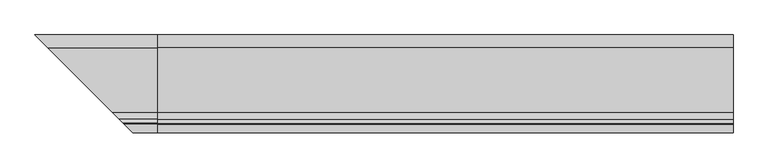
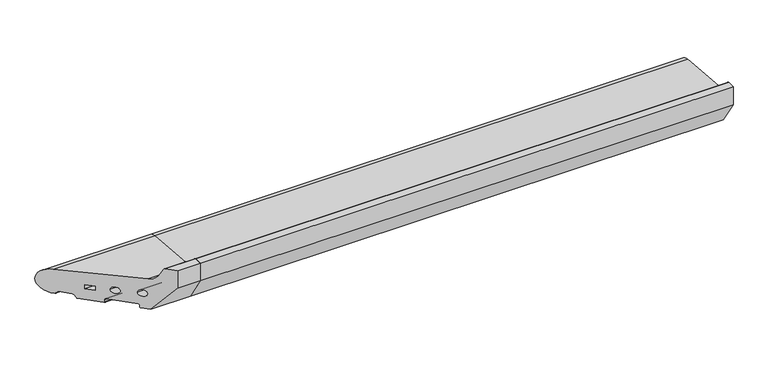
"""IFC4 building model written with IfcOpenShell, lengths in millimetres: proxy geometry."""

from ifc_helpers import new_model, si_unit, point, frame, frame_2d, origin, place, context, project, spatial, polyline, circle_curve, ellipse_curve, trimmed, segment, composite_curve, outline, extrude, source, transform, mapped, element, save
from ifc_brep_helpers import plane_surface, cylinder_surface, revolved_surface, advanced_brep


def generic_models_904960a5(model_context):
    return source(origin(), model_context, "Body", "SolidModel", [
        advanced_brep(
        [(0.0, 28.0858073, 50.4091909), (0.0, -85.0967541, 60.2830933), (0.0, -96.6696696, 68.5358083), (0.0, -103.4717243, 83.8134733), (0.0, -105.2988152, 85.0), (0.0, -120.0, 85.0), (0.0, -120.0, 50.0), (0.0, -88.0, 0.0), (0.0, -76.0, 0.0), (0.0, -75.0, 1.0), (0.0, -75.0, 5.5), (0.0, -73.0, 7.5), (0.0, -35.0, 7.5), (0.0, -33.0, 5.5), (0.0, -33.0, 1.0), (0.0, -32.0, 0.0), (0.0, -0.5773503, 0.0), (0.0, 0.2886751, 0.5), (0.0, 3.7527767, 6.5), (0.0, 5.4848276, 7.5), (0.0, 21.9585481, 7.5), (0.0, 23.6905989, 6.5), (0.0, 25.7072001, 3.0071443), (0.0, 26.5981483, 2.5074549), (0.0, -9.5, 28.9289), (0.0, -9.5, 20.9289), (0.0, -21.5, 20.9289), (0.0, -21.5, 28.9289), (0.0, -51.5, 27.333), (0.0, -39.5, 27.333), (0.0, -84.0, 30.0), (0.0, -72.0, 30.0), (-188.5981483, 26.5981483, 2.5074549), (-212.0, 50.0, 26.5), (-190.0858073, 28.0858073, 50.4091909), (-187.7072001, 25.7072001, 3.0071443), (-185.6905989, 23.6905989, 6.5), (-183.9585481, 21.9585481, 7.5), (-167.4848276, 5.4848276, 7.5), (-165.7527767, 3.7527767, 6.5), (-162.2886751, 0.2886751, 0.5), (-161.4226497, -0.5773503, 0.0), (-130.0, -32.0, 0.0), (-129.0, -33.0, 1.0), (-129.0, -33.0, 5.5), (-127.0, -35.0, 7.5), (-89.0, -73.0, 7.5), (-87.0, -75.0, 5.5), (-87.0, -75.0, 1.0), (-86.0, -76.0, 0.0), (-74.0, -88.0, 0.0), (-42.0, -120.0, 50.0), (-56.7011848, -105.2988152, 85.0), (-42.0, -120.0, 85.0), (-58.5282757, -103.4717243, 83.8134733), (-65.3303304, -96.6696696, 68.5358083), (-76.9032459, -85.0967541, 60.2830933), (-140.5, -21.5, 28.9289), (-152.5, -9.5, 28.9289), (-140.5, -21.5, 20.9289), (-152.5, -9.5, 20.9289), (-122.5, -39.5, 27.333), (-110.5, -51.5, 27.333), (-90.0, -72.0, 30.0), (-78.0, -84.0, 30.0)],
        [
            (0, 1),
            (1, 2, circle_curve(frame((0.0, -83.8800332, 74.2301213), z_axis=(-1.0, 0.0, 0.0), x_axis=(0.0, 1.0, 0.0)), 14.0)),
            (2, 3),
            (3, 4, circle_curve(frame((0.0, -105.2988152, 83.0), z_axis=(1.0, 0.0, 0.0), x_axis=(0.0, 1.0, 0.0)), 2.0)),
            (4, 5),
            (5, 6),
            (6, 7),
            (7, 8),
            (8, 9, circle_curve(frame((0.0, -76.0, 1.0), z_axis=(1.0, 0.0, 0.0), x_axis=(0.0, 1.0, 0.0)), 1.0)),
            (9, 10),
            (10, 11, circle_curve(frame((0.0, -73.0, 5.5), z_axis=(-1.0, 0.0, 0.0), x_axis=(0.0, 1.0, 0.0)), 2.0)),
            (11, 12),
            (12, 13, circle_curve(frame((0.0, -35.0, 5.5), z_axis=(-1.0, 0.0, 0.0), x_axis=(0.0, 1.0, 0.0)), 2.0)),
            (13, 14),
            (14, 15, circle_curve(frame((0.0, -32.0, 1.0), z_axis=(1.0, 0.0, 0.0), x_axis=(0.0, 1.0, 0.0)), 1.0)),
            (15, 16),
            (16, 17, circle_curve(frame((0.0, -0.5773503, 1.0), z_axis=(1.0, 0.0, 0.0), x_axis=(0.0, 1.0, 0.0)), 1.0)),
            (17, 18),
            (18, 19, circle_curve(frame((0.0, 5.4848276, 5.5), z_axis=(-1.0, 0.0, 0.0), x_axis=(0.0, 1.0, 0.0)), 2.0)),
            (19, 20),
            (20, 21, circle_curve(frame((0.0, 21.9585481, 5.5), z_axis=(-1.0, 0.0, 0.0), x_axis=(0.0, 1.0, 0.0)), 2.0)),
            (21, 22),
            (22, 23, circle_curve(frame((0.0, 26.5732255, 3.5071443), z_axis=(1.0, 0.0, 0.0), x_axis=(0.0, 1.0, 0.0)), 1.0)),
            (23, 0, circle_curve(frame((0.0, 26.0, 26.5), z_axis=(1.0, 0.0, 0.0), x_axis=(0.0, 1.0, 0.0)), 24.0)),
            (24, 25),
            (25, 26),
            (26, 27),
            (27, 24),
            (28, 29, circle_curve(frame((0.0, -45.5, 27.333), z_axis=(-1.0, 0.0, 0.0), x_axis=(0.0, 1.0, 0.0)), 6.0)),
            (29, 28, circle_curve(frame((0.0, -45.5, 27.333), z_axis=(-1.0, 0.0, 0.0), x_axis=(0.0, 1.0, 0.0)), 6.0)),
            (30, 31, circle_curve(frame((0.0, -78.0, 30.0), z_axis=(-1.0, 0.0, 0.0), x_axis=(0.0, 1.0, 0.0)), 6.0)),
            (31, 30, circle_curve(frame((0.0, -78.0, 30.0), z_axis=(-1.0, 0.0, 0.0), x_axis=(0.0, 1.0, 0.0)), 6.0)),
            (23, 32),
            (32, 33, ellipse_curve(frame((-188.0, 26.0, 26.5), z_axis=(0.7071067811865481, 0.707106781186547, 0.0), x_axis=(-0.7071067811865468, 0.7071067811865481, 0.0)), 33.9411255, 24.0)),
            (33, 34, ellipse_curve(frame((-188.0, 26.0, 26.5), z_axis=(0.7071067811865481, 0.707106781186547, 0.0), x_axis=(-0.7071067811865468, 0.7071067811865481, 0.0)), 33.9411255, 24.0)),
            (34, 0),
            (22, 35),
            (35, 32, ellipse_curve(frame((-188.5732255, 26.5732255, 3.5071443), z_axis=(0.7071067811865481, 0.707106781186547, 0.0), x_axis=(-0.7071067811865468, 0.7071067811865481, 0.0)), 1.4142136, 1.0)),
            (21, 36),
            (36, 35),
            (20, 37),
            (37, 36, ellipse_curve(frame((-183.9585481, 21.9585481, 5.5), z_axis=(-0.7071067811865481, -0.707106781186547, 0.0), x_axis=(0.7071067811865468, -0.7071067811865481, 0.0)), 2.8284271, 2.0)),
            (19, 38),
            (38, 37),
            (18, 39),
            (39, 38, ellipse_curve(frame((-167.4848276, 5.4848276, 5.5), z_axis=(-0.7071067811865481, -0.707106781186547, 0.0), x_axis=(0.7071067811865468, -0.7071067811865481, 0.0)), 2.8284271, 2.0)),
            (17, 40),
            (40, 39),
            (16, 41),
            (41, 40, ellipse_curve(frame((-161.4226497, -0.5773503, 1.0), z_axis=(0.7071067811865481, 0.707106781186547, 0.0), x_axis=(-0.7071067811865468, 0.7071067811865481, 0.0)), 1.4142136, 1.0)),
            (15, 42),
            (42, 41),
            (14, 43),
            (43, 42, ellipse_curve(frame((-130.0, -32.0, 1.0), z_axis=(0.7071067811865481, 0.707106781186547, 0.0), x_axis=(-0.7071067811865468, 0.7071067811865481, 0.0)), 1.4142136, 1.0)),
            (13, 44),
            (44, 43),
            (12, 45),
            (45, 44, ellipse_curve(frame((-127.0, -35.0, 5.5), z_axis=(-0.7071067811865481, -0.707106781186547, 0.0), x_axis=(0.7071067811865468, -0.7071067811865481, 0.0)), 2.8284271, 2.0)),
            (11, 46),
            (46, 45),
            (10, 47),
            (47, 46, ellipse_curve(frame((-89.0, -73.0, 5.5), z_axis=(-0.7071067811865481, -0.707106781186547, 0.0), x_axis=(0.7071067811865468, -0.7071067811865481, 0.0)), 2.8284271, 2.0)),
            (9, 48),
            (48, 47),
            (8, 49),
            (49, 48, ellipse_curve(frame((-86.0, -76.0, 1.0), z_axis=(0.7071067811865481, 0.707106781186547, 0.0), x_axis=(-0.7071067811865468, 0.7071067811865481, 0.0)), 1.4142136, 1.0)),
            (7, 50),
            (50, 49),
            (6, 51),
            (51, 50),
            (4, 52),
            (52, 53),
            (53, 5),
            (3, 54),
            (54, 52, ellipse_curve(frame((-56.7011848, -105.2988152, 83.0), z_axis=(0.7071067811865481, 0.707106781186547, 0.0), x_axis=(-0.7071067811865468, 0.7071067811865481, 0.0)), 2.8284271, 2.0)),
            (2, 55),
            (55, 54),
            (1, 56),
            (56, 55, ellipse_curve(frame((-78.1199668, -83.8800332, 74.2301213), z_axis=(-0.7071067811865481, -0.707106781186547, 0.0), x_axis=(0.7071067811865468, -0.7071067811865481, 0.0)), 19.7989899, 14.0)),
            (34, 56),
            (27, 57),
            (57, 58),
            (58, 24),
            (26, 59),
            (59, 57),
            (25, 60),
            (60, 59),
            (58, 60),
            (29, 61),
            (61, 62, ellipse_curve(frame((-116.5, -45.5, 27.333), z_axis=(-0.7071067811865481, -0.707106781186547, 0.0), x_axis=(0.7071067811865468, -0.7071067811865481, 0.0)), 8.4852814, 6.0)),
            (62, 28),
            (62, 61, ellipse_curve(frame((-116.5, -45.5, 27.333), z_axis=(-0.7071067811865481, -0.707106781186547, 0.0), x_axis=(0.7071067811865468, -0.7071067811865481, 0.0)), 8.4852814, 6.0)),
            (31, 63),
            (63, 64, ellipse_curve(frame((-84.0, -78.0, 30.0), z_axis=(-0.7071067811865481, -0.707106781186547, 0.0), x_axis=(0.7071067811865468, -0.7071067811865481, 0.0)), 8.4852814, 6.0)),
            (64, 30),
            (64, 63, ellipse_curve(frame((-84.0, -78.0, 30.0), z_axis=(-0.7071067811865481, -0.707106781186547, 0.0), x_axis=(0.7071067811865468, -0.7071067811865481, 0.0)), 8.4852814, 6.0)),
            (51, 53),
        ],
        [
            plane_surface(frame((0.0, 0.0, 0.0), z_axis=(1.0, 0.0, 0.0), x_axis=(0.0, 0.0, 1.0))),
            cylinder_surface(frame((-212.0, 26.0, 26.5), z_axis=(-1.0, 0.0, 0.0), x_axis=(0.0, 1.0, 0.0)), 24.0),
            cylinder_surface(frame((-212.0, 26.5732255, 3.5071443), z_axis=(-1.0, 0.0, 0.0), x_axis=(0.0, 1.0, 0.0)), 1.0),
            plane_surface(frame((-212.0, 25.7072001, 3.0071443), z_axis=(0.0, -0.8660254037844404, -0.4999999999999971), x_axis=(1.0, 0.0, 0.0))),
            revolved_surface(polyline([(0.0, 23.9585481, 5.5), (-185.9585480825018, 23.9585481, 5.5)]), (-212.0, 21.9585481, 5.5), (1.0, 0.0, 0.0)),
            plane_surface(frame((-212.0, 21.9585481, 7.5), z_axis=(0.0, 0.0, -1.0), x_axis=(1.0, 0.0, 0.0))),
            revolved_surface(polyline([(0.0, 7.4848276, 5.5), (-169.4848275825018, 7.4848276, 5.5)]), (-212.0, 5.4848276, 5.5), (1.0, 0.0, 0.0)),
            plane_surface(frame((-212.0, 3.7527767, 6.5), z_axis=(0.0, 0.8660254037844436, -0.4999999999999914), x_axis=(1.0, 0.0, 0.0))),
            cylinder_surface(frame((-212.0, -0.5773503, 1.0), z_axis=(-1.0, 0.0, 0.0), x_axis=(0.0, 1.0, 0.0)), 1.0),
            plane_surface(frame((-212.0, -0.5773503, 0.0), z_axis=(0.0, 0.0, -1.0), x_axis=(1.0, 0.0, 0.0))),
            cylinder_surface(frame((-212.0, -32.0, 1.0), z_axis=(-1.0, 0.0, 0.0), x_axis=(0.0, 1.0, 0.0)), 1.0),
            plane_surface(frame((-212.0, -33.0, 1.0), z_axis=(0.0, -1.0, 0.0), x_axis=(1.0, 0.0, 0.0))),
            revolved_surface(polyline([(0.0, -33.0, 5.5), (-129.0, -33.0, 5.5)]), (-212.0, -35.0, 5.5), (1.0, 0.0, 0.0)),
            plane_surface(frame((-212.0, -35.0, 7.5), z_axis=(0.0, 0.0, -1.0), x_axis=(1.0, 0.0, 0.0))),
            revolved_surface(polyline([(0.0, -71.0, 5.5), (-90.9999999825018, -71.0, 5.5)]), (-212.0, -73.0, 5.5), (1.0, 0.0, 0.0)),
            plane_surface(frame((-212.0, -75.0, 5.5), z_axis=(0.0, 1.0, 0.0), x_axis=(1.0, 0.0, 0.0))),
            cylinder_surface(frame((-212.0, -76.0, 1.0), z_axis=(-1.0, 0.0, 0.0), x_axis=(0.0, 1.0, 0.0)), 1.0),
            plane_surface(frame((-212.0, -76.0, 0.0), z_axis=(0.0, 0.0, -1.0), x_axis=(1.0, 0.0, 0.0))),
            plane_surface(frame((-212.0, -88.0, 0.0), z_axis=(0.0, -0.8422714006615114, -0.5390536964233673), x_axis=(1.0, 0.0, 0.0))),
            plane_surface(frame((-212.0, -120.0, 85.0), z_axis=(0.0, 0.0, 1.0), x_axis=(1.0, 0.0, 0.0))),
            cylinder_surface(frame((-212.0, -105.2988152, 83.0), z_axis=(-1.0, 0.0, 0.0), x_axis=(0.0, 1.0, 0.0)), 2.0),
            plane_surface(frame((-212.0, -103.4717243, 83.8134733), z_axis=(0.0, 0.9135454576426015, 0.406736643075799), x_axis=(1.0, 0.0, 0.0))),
            revolved_surface(polyline([(0.0, -69.8800332, 74.2301213), (-92.11996681893393, -69.8800332, 74.2301213)]), (-212.0, -83.8800332, 74.2301213), (1.0, 0.0, 0.0)),
            plane_surface(frame((-212.0, -85.0967541, 60.2830933), z_axis=(0.0, 0.08690863944627715, 0.9962162859487879), x_axis=(1.0, 0.0, 0.0))),
            plane_surface(frame((-212.0, -9.5, 28.9289), z_axis=(0.0, 0.0, -1.0), x_axis=(1.0, 0.0, 0.0))),
            plane_surface(frame((-212.0, -21.5, 28.9289), z_axis=(0.0, 1.0, 0.0), x_axis=(1.0, 0.0, 0.0))),
            plane_surface(frame((-212.0, -21.5, 20.9289), z_axis=(0.0, 0.0, 1.0), x_axis=(1.0, 0.0, 0.0))),
            plane_surface(frame((-212.0, -9.5, 20.9289), z_axis=(0.0, -1.0, 0.0), x_axis=(1.0, 0.0, 0.0))),
            revolved_surface(polyline([(0.0, -39.5, 27.333), (-122.50000001821607, -39.5, 27.333)]), (-212.0, -45.5, 27.333), (1.0, 0.0, 0.0)),
            revolved_surface(polyline([(0.0, -72.0, 30.0), (-90.00000001821607, -72.0, 30.0)]), (-212.0, -78.0, 30.0), (1.0, 0.0, 0.0)),
            plane_surface(frame((-127.0, -35.0, 0.0), z_axis=(-0.7071067811865481, -0.707106781186547, 0.0), x_axis=(0.0, 0.0, 1.0))),
            plane_surface(frame((-212.0, -120.0, 50.0), z_axis=(0.0, -1.0, 0.0), x_axis=(1.0, 0.0, 0.0))),
        ],
        [
            (0, [[1, 2, 3, 4, 5, 6, 7, 8, 9, 10, 11, 12, 13, 14, 15, 16, 17, 18, 19, 20, 21, 22, 23, 24], [25, 26, 27, 28], [29, 30], [31, 32]]),
            (1, [[-24, 33, 34, 35, 36]]),
            (2, [[-23, 37, 38, -33]]),
            (3, [[-22, 39, 40, -37]]),
            (4, [[-21, 41, 42, -39]]),
            (5, [[-20, 43, 44, -41]]),
            (6, [[-19, 45, 46, -43]]),
            (7, [[-18, 47, 48, -45]]),
            (8, [[-17, 49, 50, -47]]),
            (9, [[-16, 51, 52, -49]]),
            (10, [[-15, 53, 54, -51]]),
            (11, [[-14, 55, 56, -53]]),
            (12, [[-13, 57, 58, -55]]),
            (13, [[-12, 59, 60, -57]]),
            (14, [[-11, 61, 62, -59]]),
            (15, [[-10, 63, 64, -61]]),
            (16, [[-9, 65, 66, -63]]),
            (17, [[-8, 67, 68, -65]]),
            (18, [[-7, 69, 70, -67]]),
            (19, [[-5, 71, 72, 73]]),
            (20, [[-4, 74, 75, -71]]),
            (21, [[-3, 76, 77, -74]]),
            (22, [[-2, 78, 79, -76]]),
            (23, [[-1, -36, 80, -78]]),
            (24, [[-28, 81, 82, 83]]),
            (25, [[-27, 84, 85, -81]]),
            (26, [[-26, 86, 87, -84]]),
            (27, [[-25, -83, 88, -86]]),
            (28, [[-30, 89, 90, 91]]),
            (28, [[-29, -91, 92, -89]]),
            (29, [[-32, 93, 94, 95]]),
            (29, [[-31, -95, 96, -93]]),
            (30, [[-35, -34, -38, -40, -42, -44, -46, -48, -50, -52, -54, -56, -58, -60, -62, -64, -66, -68, -70, 97, -72, -75, -77, -79, -80], [-82, -85, -87, -88], [-90, -92], [-94, -96]]),
            (31, [[-6, -73, -97, -69]]),
        ],
    ),
        extrude(outline(composite_curve([segment(trimmed(circle_curve(frame_2d((26.0, 26.5)), 24.0), [point((28.0858073, 50.4091909))], [point((26.5981483, 2.5074549))], False, "CARTESIAN"), True, "CONTINUOUS"), segment(trimmed(circle_curve(frame_2d((26.5732255, 3.5071443)), 1.0), [point((26.5981483, 2.5074549))], [point((25.7072001, 3.0071443))], False, "CARTESIAN"), True, "CONTINUOUS"), segment(polyline([(25.7072001, 3.0071443), (23.6905989, 6.5)]), True, "CONTINUOUS"), segment(trimmed(circle_curve(frame_2d((21.9585481, 5.5)), 2.0), [point((23.6905989, 6.5))], [point((21.9585481, 7.5))], True, "CARTESIAN"), True, "CONTINUOUS"), segment(polyline([(21.9585481, 7.5), (5.4848276, 7.5)]), True, "CONTINUOUS"), segment(trimmed(circle_curve(frame_2d((5.4848276, 5.5)), 2.0), [point((5.4848276, 7.5))], [point((3.7527767, 6.5))], True, "CARTESIAN"), True, "CONTINUOUS"), segment(polyline([(3.7527767, 6.5), (0.2886751, 0.5)]), True, "CONTINUOUS"), segment(trimmed(circle_curve(frame_2d((-0.5773503, 1.0)), 1.0), [point((0.2886751, 0.5))], [point((-0.5773503, 0.0))], False, "CARTESIAN"), True, "CONTINUOUS"), segment(polyline([(-0.5773503, 0.0), (-32.0, 0.0)]), True, "CONTINUOUS"), segment(trimmed(circle_curve(frame_2d((-32.0, 1.0)), 1.0), [point((-32.0, 0.0))], [point((-33.0, 1.0))], False, "CARTESIAN"), True, "CONTINUOUS"), segment(polyline([(-33.0, 1.0), (-33.0, 5.5)]), True, "CONTINUOUS"), segment(trimmed(circle_curve(frame_2d((-35.0, 5.5)), 2.0), [point((-33.0, 5.5))], [point((-35.0, 7.5))], True, "CARTESIAN"), True, "CONTINUOUS"), segment(polyline([(-35.0, 7.5), (-73.0, 7.5)]), True, "CONTINUOUS"), segment(trimmed(circle_curve(frame_2d((-73.0, 5.5)), 2.0), [point((-73.0, 7.5))], [point((-75.0, 5.5))], True, "CARTESIAN"), True, "CONTINUOUS"), segment(polyline([(-75.0, 5.5), (-75.0, 1.0)]), True, "CONTINUOUS"), segment(trimmed(circle_curve(frame_2d((-76.0, 1.0)), 1.0), [point((-75.0, 1.0))], [point((-76.0, 0.0))], False, "CARTESIAN"), True, "CONTINUOUS"), segment(polyline([(-76.0, 0.0), (-88.0, 0.0), (-120.0, 50.0), (-120.0, 85.0), (-105.2988152, 85.0)]), True, "CONTINUOUS"), segment(trimmed(circle_curve(frame_2d((-105.2988152, 83.0)), 2.0), [point((-105.2988152, 85.0))], [point((-103.4717243, 83.8134733))], False, "CARTESIAN"), True, "CONTINUOUS"), segment(polyline([(-103.4717243, 83.8134733), (-96.6696696, 68.5358083)]), True, "CONTINUOUS"), segment(trimmed(circle_curve(frame_2d((-83.8800332, 74.2301213)), 14.0), [point((-96.6696696, 68.5358083))], [point((-85.0967541, 60.2830933))], True, "CARTESIAN"), True, "CONTINUOUS"), segment(polyline([(-85.0967541, 60.2830933), (28.0858073, 50.4091909)]), True, "CONTINUOUS")], self_intersect=False), holes=[polyline([(-9.5, 28.9289), (-21.5, 28.9289), (-21.5, 20.9289), (-9.5, 20.9289), (-9.5, 28.9289)]), composite_curve([segment(trimmed(circle_curve(frame_2d((-45.5, 27.333)), 6.0), [point((-51.5, 27.333))], [point((-39.5, 27.333))], True, "CARTESIAN"), True, "CONTINUOUS"), segment(trimmed(circle_curve(frame_2d((-45.5, 27.333)), 6.0), [point((-39.5, 27.333))], [point((-51.5, 27.333))], True, "CARTESIAN"), True, "CONTINUOUS")], self_intersect=False), composite_curve([segment(trimmed(circle_curve(frame_2d((-78.0, 30.0)), 6.0), [point((-84.0, 30.0))], [point((-72.0, 30.0))], True, "CARTESIAN"), True, "CONTINUOUS"), segment(trimmed(circle_curve(frame_2d((-78.0, 30.0)), 6.0), [point((-72.0, 30.0))], [point((-84.0, 30.0))], True, "CARTESIAN"), True, "CONTINUOUS")], self_intersect=False)]), frame((0.0, 0.0, 0.0), z_axis=(1.0, 0.0, 0.0), x_axis=(0.0, 1.0, 0.0)), (0.0, 0.0, 1.0), 1000.0),
    ])


if __name__ == "__main__":
    model = new_model("IFC4")
    model_context = context("Model", 3, world=origin())
    ifc_project = project(units=[si_unit("LENGTHUNIT", "METRE", prefix="MILLI")], contexts=[model_context])
    site = spatial("IfcSite", under=ifc_project)
    building = spatial("IfcBuilding", under=site)
    placement = place(None, origin())
    generic_models_shape = generic_models_904960a5(model_context)
    element("IfcBuildingElementProxy", 1, Name="Generic Models", at=placement, inside=building, context=model_context, shape_type="MappedRepresentation", body=[
        mapped(generic_models_shape, transform((0.0, 0.0, 0.0), x_axis=(1.0, 0.0, 0.0), y_axis=(0.0, 1.0, 0.0), z_axis=(0.0, 0.0, 1.0))),
    ])
    save(model, "model.ifc")
